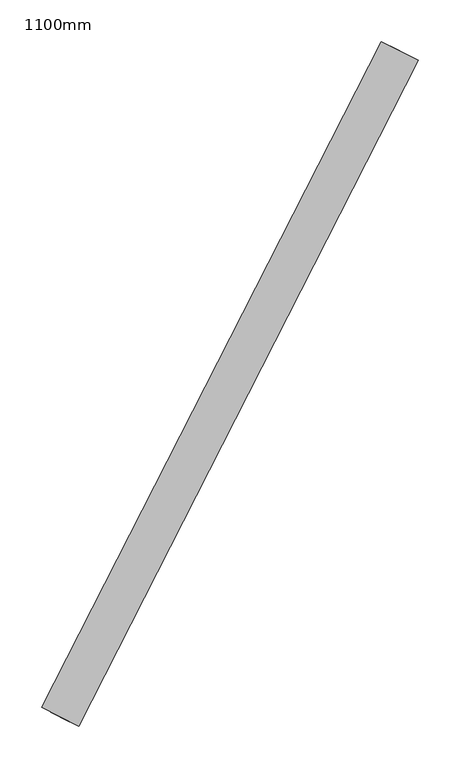
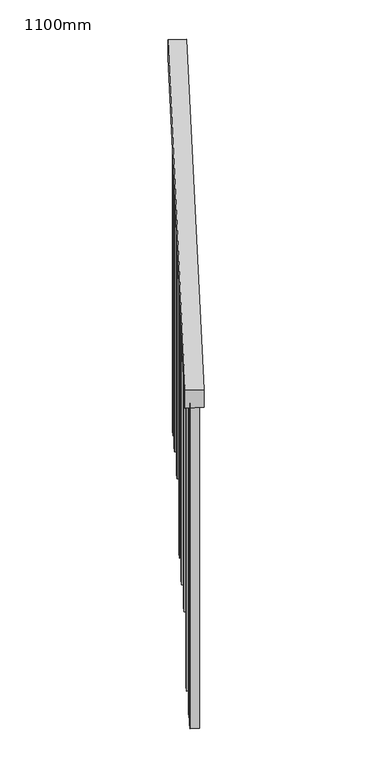
"""IFC4 building model written with IfcOpenShell, lengths in millimetres: railing geometry, 1100mm."""

from ifc_helpers import new_model, si_unit, frame, origin, place, context, project, spatial, polyline, outline, extrude, source, transform, mapped, element, save


def railing_1100mm_13d77a6f(model_context):
    return source(origin(), model_context, "Body", "SweptSolid", [
        extrude(outline(polyline([(28.3329857, -50.0), (0.0, 0.0), (1034.4659857, -1e-07), (1062.7989714, -50.0), (28.3329857, -50.0)])), frame((-295193.7327652, 62879.3764499, 1212.5303725), z_axis=(-0.8906805985626205, 0.45462959796314656, 0.0), x_axis=(0.3955390160763756, 0.7749141920635234, 0.4930079935456113)), (0.0, 0.0, 1.0), 50.0),
        extrude(outline(polyline([(107.0832797, 0.0), (1262.9434887, 0.0), (1262.9434887, -25.0), (92.9167202, -25.0), (107.0832797, 0.0)])), frame((-294841.1625943, 63597.6037987, 1772.9434887), z_axis=(-0.8906805985626204, 0.4546295979631465, 0.0), x_axis=(0.0, 0.0, -1.0)), (0.0, 0.0, 1.0), 25.0),
        extrude(outline(polyline([(107.0832797, 0.0), (1192.1106915, 0.0), (1192.1106915, -24.9999999), (92.9167203, -24.9999999), (107.0832797, 0.0)])), frame((-294897.991294, 63486.2687239, 1702.1106915), z_axis=(-0.8906805985626204, 0.4546295979631465, 0.0), x_axis=(0.0, 0.0, -1.0)), (0.0, 0.0, 1.0), 25.0),
        extrude(outline(polyline([(107.0832797, 0.0), (1291.2778943, 0.0), (1291.2778943, -25.0000001), (92.9167203, -25.0000001), (107.0832797, 0.0)])), frame((-294954.8199938, 63374.933649, 1631.2778943), z_axis=(-0.8906805985626204, 0.4546295979631465, 0.0), x_axis=(0.0, 0.0, -1.0)), (0.0, 0.0, 1.0), 25.0),
        extrude(outline(polyline([(107.0832797, 0.0), (1220.4450971, 0.0), (1220.4450971, -25.0), (92.9167203, -25.0), (107.0832797, 0.0)])), frame((-295011.6486935, 63263.5985742, 1560.4450971), z_axis=(-0.8906805985626204, 0.4546295979631465, 0.0), x_axis=(0.0, 0.0, -1.0)), (0.0, 0.0, 1.0), 25.0),
        extrude(outline(polyline([(107.0832797, 0.0), (1149.6135866, 0.0), (1149.6135866, -25.0000001), (92.9167203, -25.0000001), (107.0832797, 0.0)])), frame((-295068.4773933, 63152.2634994, 1489.6135866), z_axis=(-0.8906805985626204, 0.4546295979631465, 0.0), x_axis=(0.0, 0.0, -1.0)), (0.0, 0.0, 1.0), 25.0),
        extrude(outline(polyline([(107.0832797, 0.0), (1248.7795027, 0.0), (1248.7795027, -24.9999999), (92.9167203, -24.9999999), (107.0832797, 0.0)])), frame((-295125.306093, 63040.9284246, 1418.7795027), z_axis=(-0.8906805985626204, 0.4546295979631465, 0.0), x_axis=(0.0, 0.0, -1.0)), (0.0, 0.0, 1.0), 25.0),
        extrude(outline(polyline([(107.0832797, 0.0), (1177.9467055, 0.0), (1177.9467055, -25.0), (92.9167203, -25.0), (107.0832797, 0.0)])), frame((-295182.1347928, 62929.5933498, 1347.9467055), z_axis=(-0.8906805985626204, 0.4546295979631465, 0.0), x_axis=(0.0, 0.0, -1.0)), (0.0, 0.0, 1.0), 25.0),
        extrude(outline(polyline([(107.0832797, 0.0), (1305.4470272, 0.0), (1305.4470272, -25.0), (92.9167203, -25.0), (107.0832797, 0.0)])), frame((-294807.0603544, 63664.4146784, 1815.4470272), z_axis=(-0.8906805985626204, 0.4546295979631465, 0.0), x_axis=(0.0, 0.0, -1.0)), (0.0, 0.0, 1.0), 25.0),
        extrude(outline(polyline([(107.0832797, 0.0), (1149.6135866, 0.0), (1149.6135866, -25.0000001), (92.9167203, -25.0000001), (107.0832797, 0.0)])), frame((-295204.8662727, 62885.0593198, 1319.6135866), z_axis=(-0.8906805985626204, 0.4546295979631465, 0.0), x_axis=(0.0, 0.0, -1.0)), (0.0, 0.0, 1.0), 25.0),
    ])


if __name__ == "__main__":
    model = new_model("IFC4")
    model_context = context("Model", 3, world=origin())
    ifc_project = project(units=[si_unit("LENGTHUNIT", "METRE", prefix="MILLI")], contexts=[model_context])
    site = spatial("IfcSite", under=ifc_project)
    building = spatial("IfcBuilding", under=site)
    placement = place(None, origin())
    railing_1100mm_shape = railing_1100mm_13d77a6f(model_context)
    element("IfcRailing", 1, ObjectType="1100mm", at=placement, inside=building, context=model_context, shape_type="MappedRepresentation", body=[
        mapped(railing_1100mm_shape, transform((0.0, 0.0, 0.0), x_axis=(1.0, 0.0, 0.0), y_axis=(0.0, 1.0, 0.0), z_axis=(0.0, 0.0, 1.0))),
    ])
    save(model, "model.ifc")
